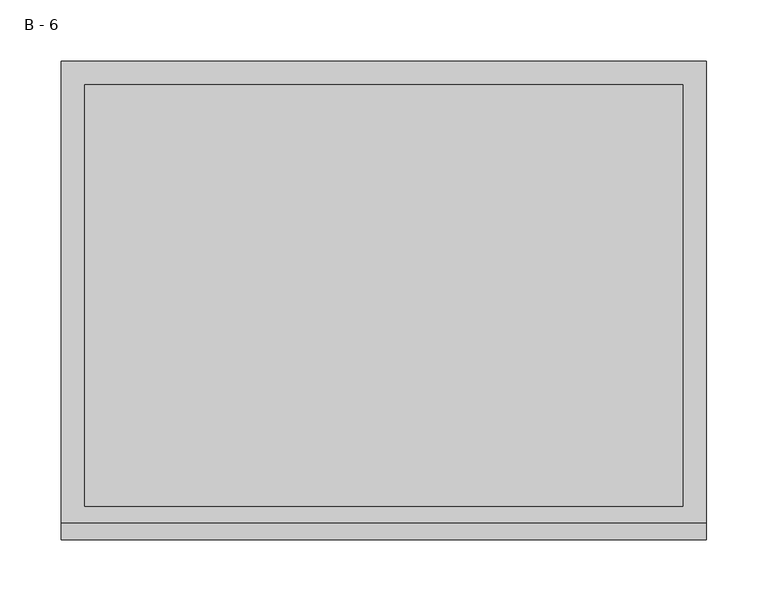
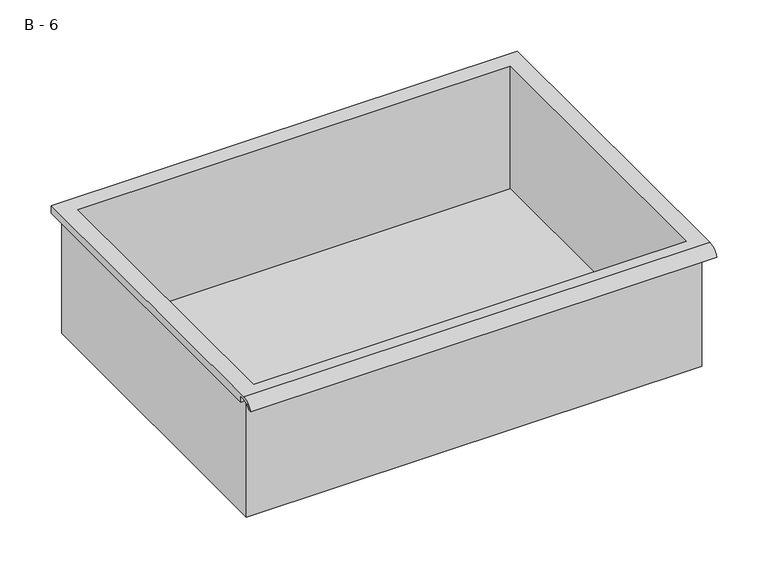
"""IFC4 building model written with IfcOpenShell, lengths in millimetres: furniture geometry, B - 6."""

from ifc_helpers import new_model, si_unit, frame, origin, place, context, project, spatial, polyline, circle_curve, source, transform, mapped, element, save
from ifc_brep_helpers import plane_surface, cylinder_surface, revolved_surface, advanced_brep


def b_6_c3c28a66(model_context):
    return source(origin(), model_context, "Body", "AdvancedBrep", [
        advanced_brep(
        [(-257.1076517, -176.2125, 484.19512), (257.2423483, -176.2125, 484.19512), (257.2423483, -176.2125, 623.89512), (263.5923483, -176.2125, 623.89512), (263.5923483, -176.2125, 630.2022541), (-263.4576517, -176.2125, 630.2022541), (-263.4576517, -176.2125, 623.89512), (-257.1076517, -176.2125, 623.89512), (257.2423483, 185.7375, 484.19512), (-257.1076517, 185.7375, 484.19512), (-257.1076517, 185.7375, 623.89512), (257.2423483, 185.7375, 623.89512), (263.5923483, -181.6070544, 633.42012), (263.5923483, 195.2625, 633.42012), (-263.4576517, 195.2625, 633.42012), (-263.4576517, -181.6070544, 633.42012), (244.5423483, -168.275, 633.42012), (-244.4076517, -168.275, 633.42012), (-244.4076517, 176.2125, 633.42012), (244.5423483, 176.2125, 633.42012), (263.5923483, -195.2625, 623.89512), (263.5923483, -191.8280601, 623.89512), (263.5923483, -180.4714815, 630.2022541), (263.5923483, 195.2625, 623.89512), (-263.4576517, 195.2625, 623.89512), (-263.4576517, -180.4714815, 630.2022541), (-263.4576517, -191.8280601, 623.89512), (-263.4576517, -195.2625, 623.89512), (-244.4076517, -168.275, 487.2212919), (244.5423483, -168.275, 487.2212919), (244.5423483, 176.2125, 487.2212919), (-244.4076517, 176.2125, 487.2212919)],
        [
            (0, 1),
            (1, 2),
            (2, 3),
            (3, 4),
            (4, 5),
            (5, 6),
            (6, 7),
            (7, 0),
            (8, 9),
            (9, 10),
            (10, 11),
            (11, 8),
            (0, 9),
            (8, 1),
            (11, 2),
            (12, 13),
            (13, 14),
            (14, 15),
            (15, 12),
            (16, 17),
            (17, 18),
            (18, 19),
            (19, 16),
            (7, 10),
            (12, 20, circle_curve(frame((263.5923483, -181.6070544, 618.8691059), z_axis=(1.0, 0.0, 0.0), x_axis=(0.0, 1.0, 0.0)), 14.5510141)),
            (20, 21),
            (21, 22, circle_curve(frame((263.5923483, -181.6070544, 618.8691059), z_axis=(-1.0, 0.0, 0.0), x_axis=(0.0, 1.0, 0.0)), 11.3898979)),
            (22, 4),
            (3, 23),
            (23, 13),
            (14, 24),
            (24, 6),
            (5, 25),
            (25, 26, circle_curve(frame((-263.4576517, -181.6070544, 618.8691059), z_axis=(1.0, 0.0, 0.0), x_axis=(0.0, 1.0, 0.0)), 11.3898979)),
            (26, 27),
            (27, 15, circle_curve(frame((-263.4576517, -181.6070544, 618.8691059), z_axis=(-1.0, 0.0, 0.0), x_axis=(0.0, 1.0, 0.0)), 14.5510141)),
            (27, 20),
            (26, 21),
            (25, 22),
            (24, 23),
            (28, 29),
            (29, 30),
            (30, 31),
            (31, 28),
            (28, 17),
            (16, 29),
            (19, 30),
            (18, 31),
        ],
        [
            plane_surface(frame((257.2423483, -176.2125, 484.19512), z_axis=(0.0, -1.0, 0.0), x_axis=(1.0, 0.0, 0.0))),
            plane_surface(frame((257.2423483, 185.7375, 484.19512), z_axis=(0.0, 1.0, 0.0), x_axis=(-1.0, 0.0, 0.0))),
            plane_surface(frame((-257.1076517, -176.2125, 484.19512), z_axis=(0.0, 0.0, -1.0), x_axis=(0.0, 1.0, 0.0))),
            plane_surface(frame((257.2423483, -176.2125, 484.19512), z_axis=(1.0, 0.0, 0.0), x_axis=(0.0, 1.0, 0.0))),
            plane_surface(frame((257.2423483, -176.2125, 633.42012), z_axis=(0.0, 0.0, 1.0), x_axis=(0.0, 1.0, 0.0))),
            plane_surface(frame((-257.1076517, -176.2125, 633.42012), z_axis=(-1.0, 0.0, 0.0), x_axis=(0.0, 1.0, 0.0))),
            plane_surface(frame((263.5923483, 195.2625, 633.42012), z_axis=(1.0, 0.0, 0.0), x_axis=(0.0, -1.0, 0.0))),
            plane_surface(frame((-263.4576517, 195.2625, 633.42012), z_axis=(-1.0, 0.0, 0.0), x_axis=(0.0, 1.0, 0.0))),
            cylinder_surface(frame((-263.4576517, -181.6070544, 618.8691059), z_axis=(1.0, 0.0, 0.0), x_axis=(0.0, 1.0, 0.0)), 14.5510141),
            plane_surface(frame((263.5923483, -195.2625, 623.89512), z_axis=(0.0, -7.291233251777144e-12, -1.0), x_axis=(-1.0, 0.0, 0.0))),
            revolved_surface(polyline([(-263.4576517, -170.21715650000002, 618.8691059), (263.59234829999997, -170.21715650000002, 618.8691059)]), (-263.4576517, -181.6070544, 618.8691059), (-1.0, 0.0, 0.0)),
            plane_surface(frame((263.5923483, -180.4714815, 630.2022541), z_axis=(0.0, -1.7988537739368033e-11, -1.0), x_axis=(-1.0, 0.0, 0.0))),
            plane_surface(frame((263.5923483, -176.2125, 623.89512), z_axis=(0.0, 0.0, -1.0), x_axis=(-1.0, 0.0, 0.0))),
            plane_surface(frame((263.5923483, 195.2625, 623.89512), z_axis=(0.0, 1.0, 0.0), x_axis=(-1.0, 0.0, 0.0))),
            plane_surface(frame((244.5423483, -168.275, 487.2212919), z_axis=(0.0, 0.0, 1.0), x_axis=(-1.0, 0.0, 0.0))),
            plane_surface(frame((-244.4076517, -168.275, 633.42012), z_axis=(0.0, 1.0, 0.0), x_axis=(0.0, 0.0, -1.0))),
            plane_surface(frame((244.5423483, -168.275, 633.42012), z_axis=(-1.0, 0.0, 0.0), x_axis=(0.0, 0.0, -1.0))),
            plane_surface(frame((244.5423483, 176.2125, 633.42012), z_axis=(0.0, -1.0, 0.0), x_axis=(0.0, 0.0, -1.0))),
            plane_surface(frame((-244.4076517, 176.2125, 633.42012), z_axis=(1.0, 0.0, 0.0), x_axis=(0.0, 0.0, -1.0))),
        ],
        [
            (0, [[1, 2, 3, 4, 5, 6, 7, 8]]),
            (1, [[9, 10, 11, 12]]),
            (2, [[-1, 13, -9, 14]]),
            (3, [[-14, -12, 15, -2]]),
            (4, [[16, 17, 18, 19], [20, 21, 22, 23]]),
            (5, [[-13, -8, 24, -10]]),
            (6, [[-16, 25, 26, 27, 28, -4, 29, 30]]),
            (7, [[31, 32, -6, 33, 34, 35, 36, -18]]),
            (8, [[-25, -19, -36, 37]]),
            (9, [[-26, -37, -35, 38]]),
            (10, [[-27, -38, -34, 39]]),
            (11, [[-28, -39, -33, -5]]),
            (12, [[-29, -3, -15, -11, -24, -7, -32, 40]]),
            (13, [[-30, -40, -31, -17]]),
            (14, [[41, 42, 43, 44]]),
            (15, [[-41, 45, -20, 46]]),
            (16, [[-42, -46, -23, 47]]),
            (17, [[-43, -47, -22, 48]]),
            (18, [[-44, -48, -21, -45]]),
        ],
    ),
    ])


if __name__ == "__main__":
    model = new_model("IFC4")
    model_context = context("Model", 3, world=origin())
    ifc_project = project(units=[si_unit("LENGTHUNIT", "METRE", prefix="MILLI")], contexts=[model_context])
    site = spatial("IfcSite", under=ifc_project)
    building = spatial("IfcBuilding", under=site)
    placement = place(None, origin())
    b_6_shape = b_6_c3c28a66(model_context)
    element("IfcFurniture", 1, ObjectType="B - 6", at=placement, inside=building, context=model_context, shape_type="MappedRepresentation", body=[
        mapped(b_6_shape, transform((0.0, 0.0, 0.0), x_axis=(1.0, 0.0, 0.0), y_axis=(0.0, 1.0, 0.0), z_axis=(0.0, 0.0, 1.0))),
    ])
    save(model, "model.ifc")
